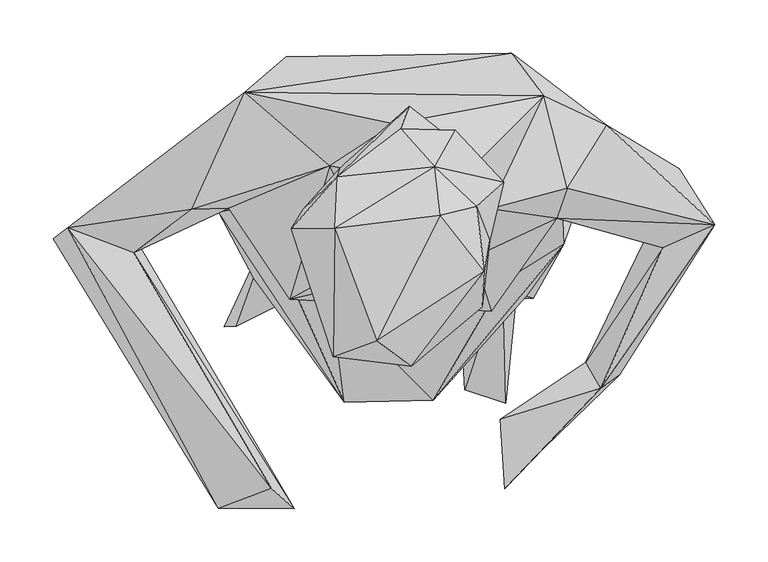
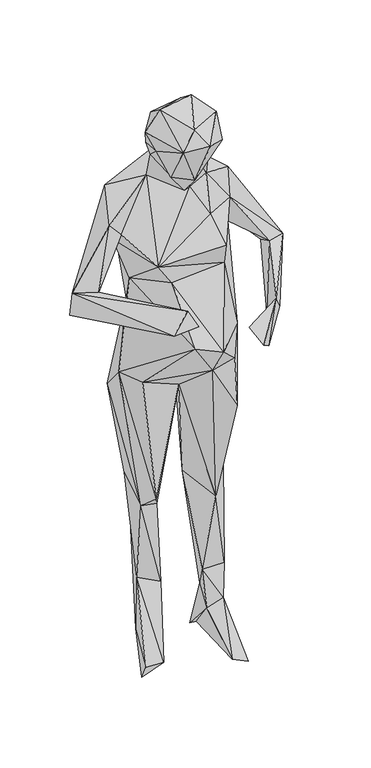
"""IFC4 building model written with IfcOpenShell, lengths in millimetres: geographic element geometry."""

from ifc_helpers import new_model, si_unit, origin, place, context, project, spatial, faceted_brep, source, transform, mapped, element, save


def geographic_element_3dc22eb4(model_context):
    return source(origin(), model_context, "Body", "Brep", [
        faceted_brep([(115.8035532, -20.4848943, 719.365111), (85.5559845, 34.2268306, 418.4032627), (131.6994114, 78.0157586, 481.7709565), (43.9633051, -21.8576786, 852.2205844), (108.7985398, 31.8350415, 210.2251772), (33.2703139, 111.4473478, 469.7112383), (43.9350823, 31.814884, 211.0052977), (-16.3070818, 44.3271617, 789.6733186), (107.7039377, 64.6709419, 118.787995), (87.352096, 1.9110098, 129.2269959), (78.4441297, 103.1229632, 115.3661222), (44.8411996, 9.6256024, 106.0902612), (90.1228476, -119.1901624, 5.1776673), (51.2142548, -106.1638432, 16.591314), (47.9889208, 66.6555382, 29.0793978), (54.8820601, 111.3646911, -4.3572229), (93.7775585, 72.7262115, 30.294947), (105.2063169, 122.5041806, 477.6637197), (54.2853729, 137.722714, 764.0944625), (159.915028, 75.6018003, 742.9967431), (62.3255215, 188.5761297, 811.0663195), (67.9970673, 189.1315109, 890.5547151), (144.3286073, 30.3665079, 930.7886843), (-1.2266344, 86.7533822, 775.8598232), (-171.3004538, 133.6225106, 794.1999337), (-44.3080062, 122.4447176, 435.5570024), (-77.9220229, 197.5869065, 880.0118457), (-71.7626503, 149.794532, 1046.507584), (-123.4193727, 122.3086476, 1045.1559891), (-116.7842657, 206.8879728, 1250.1994217), (61.0061616, 152.329443, 1070.8165036), (-180.1882513, 60.5011985, 876.3531338), (-145.4020274, 68.3730236, 1145.9203817), (95.6301081, 210.3743378, 1287.8238996), (-165.7427827, 115.3540299, 1243.2942237), (-155.6928586, 173.4755316, 1371.2068627), (116.1371753, 94.7078678, 1056.0726989), (142.6060629, 74.9637922, 1215.2721732), (155.3703229, 125.1368656, 1212.0790332), (85.9903906, -5.5909128, 1158.0537414), (21.7820832, -116.4204017, 971.7463731), (109.153329, -18.3602066, 865.8526433), (-74.3106594, -20.8517757, 1161.1722564), (76.2508949, -32.4801091, 1229.0452567), (-113.277717, -21.4293131, 1222.401127), (-61.9042136, -118.2699338, 1011.8353242), (-147.1023839, -1.3727823, 869.7996628), (-170.8337793, 64.477428, 1289.4165357), (-260.4012755, 22.6277241, 1170.8451365), (-280.4971005, 72.4570966, 1114.0208107), (-75.7499626, 104.5491608, 1415.3525654), (-205.9485738, 63.1802372, 1330.11709), (19.2461645, 51.3513305, 1377.6978084), (60.4256012, 18.7623648, 1300.0016052), (75.209721, 63.7456767, 1393.14614), (137.7499236, 54.8135222, 1303.8478929), (33.6331646, 61.0676475, 1463.5038195), (-25.8883346, 0.3709133, 1413.3893077), (67.7410579, -28.5905596, 1552.4111794), (74.986971, 33.8357534, 1531.6450407), (67.2199643, 41.0383264, 1468.7379417), (-15.2487688, -35.3516634, 1462.5927029), (1.1883335, -84.4170366, 1590.6735462), (69.5371619, 4.9589495, 1619.5674934), (62.4958604, 66.1122642, 1612.8145257), (88.0344499, 88.5676358, 1509.4859414), (62.2257396, 106.743394, 1442.1187461), (31.0861595, 135.3238804, 1489.8396546), (42.6066475, 137.5362558, 1531.3052942), (23.2506168, 103.2267722, 1616.8371239), (28.2387972, 57.8675114, 1651.5538488), (-71.0651717, 45.4227621, 1648.1419598), (-8.8616012, 139.2406357, 1561.1830757), (-68.7278128, 93.8813675, 1611.9910279), (-1.0169877, 160.2476368, 1515.6130603), (-65.6909562, 102.5353508, 1475.1492556), (-100.7432702, 63.2326521, 1547.8452253), (-111.8706674, 45.1486142, 1593.3960479), (-15.4261615, 143.8841057, 1469.3103847), (125.5148336, 170.457823, 1369.6375916), (-322.5171526, 45.9801437, 1175.4040573), (-86.1476277, 36.5339513, 1531.4765979), (-78.298985, -22.017935, 1485.4723032), (-72.3200208, -75.3276488, 1588.3917612), (-31.2897596, -60.2885254, 1635.4180372), (185.1240225, 142.6060629, 1315.2342872), (147.9127538, 83.2307179, 1376.4974901), (286.8782246, 48.8486731, 1142.831073), (253.2027332, 101.4195743, 1105.1733357), (237.877366, 27.3911372, 1151.110158), (165.4474864, -80.6020712, 1024.7930162), (179.2982646, -105.2798988, 1075.3521786), (196.9539499, -92.9803017, 1039.5731797), (125.920011, -161.4782939, 982.3536751), (84.9159573, -134.0780838, 1038.0431285), (89.1824652, -199.6934538, 1020.2724808), (113.5014729, -152.8061907, 1017.0088881), (-130.6360646, -199.45055, 1200.867042), (-180.6377895, -218.0546644, 1153.961525), (-336.2671393, 35.504866, 1119.2055802), (-109.3811081, -218.4275958, 1158.1706858), (-88.8841216, 31.5961648, 474.0230979), (-68.2550958, 65.2464695, 431.9395668), (-120.4732269, 52.9791147, 450.383449), (-50.2748744, 76.5583133, 180.7758786), (-119.1135481, 77.3021569, 216.277701), (-141.5306163, 101.1524858, 531.0329133), (-52.6575887, 103.0503871, -4.6293605), (-91.9108975, -10.7151604, 0.9091407), (-59.5981024, 56.3919202, 55.1199273), (-56.3122921, 145.1046896, -4.6948748), (-100.8732828, 112.7344505, 33.3358306), (-163.5959277, -46.5818712, 32.350089), (-175.1849481, -46.9185108, 5.5757942), (-112.9622445, 134.6082522, 538.4662681), (-57.3444024, 156.4991902, 370.6209614)], [[[0, 1, 2]], [[1, 0, 3]], [[1, 4, 2]], [[5, 6, 1]], [[5, 1, 7]], [[1, 3, 7]], [[4, 1, 6]], [[4, 8, 2]], [[4, 6, 9]], [[9, 8, 4]], [[5, 10, 6]], [[6, 10, 11]], [[9, 6, 11]], [[8, 9, 12]], [[13, 9, 11]], [[13, 12, 9]], [[11, 14, 13]], [[11, 10, 15]], [[14, 11, 15]], [[14, 16, 13]], [[13, 16, 12]], [[12, 16, 8]], [[15, 10, 16]], [[8, 16, 10]], [[16, 14, 15]], [[10, 5, 17]], [[8, 10, 17]], [[17, 2, 8]], [[17, 5, 18]], [[19, 17, 18]], [[17, 19, 2]], [[0, 2, 19]], [[19, 20, 21]], [[22, 19, 21]], [[19, 22, 0]], [[19, 18, 20]], [[18, 5, 23]], [[18, 23, 20]], [[7, 23, 5]], [[23, 24, 20]], [[25, 24, 23]], [[7, 25, 23]], [[20, 26, 21]], [[20, 24, 26]], [[21, 26, 27]], [[26, 24, 28]], [[26, 28, 27]], [[27, 29, 30]], [[30, 21, 27]], [[27, 28, 29]], [[24, 31, 28]], [[28, 32, 29]], [[28, 31, 32]], [[33, 30, 29]], [[29, 32, 34]], [[29, 34, 35]], [[29, 35, 33]], [[36, 21, 30]], [[33, 36, 30]], [[22, 21, 36]], [[22, 36, 37]], [[33, 38, 36]], [[38, 37, 36]], [[22, 39, 40]], [[22, 37, 39]], [[22, 40, 41]], [[0, 22, 41]], [[40, 39, 42]], [[43, 39, 37]], [[39, 43, 44]], [[42, 39, 44]], [[40, 3, 41]], [[45, 40, 42]], [[3, 40, 45]], [[0, 41, 3]], [[3, 45, 46]], [[46, 7, 3]], [[45, 32, 31]], [[32, 45, 42]], [[46, 45, 31]], [[42, 44, 32]], [[32, 44, 34]], [[47, 48, 34]], [[35, 34, 49]], [[44, 47, 34]], [[49, 34, 48]], [[44, 50, 47]], [[47, 51, 48]], [[47, 50, 51]], [[52, 44, 53]], [[50, 44, 52]], [[43, 53, 44]], [[52, 53, 54]], [[53, 55, 54]], [[43, 55, 53]], [[54, 56, 52]], [[57, 52, 56]], [[52, 57, 50]], [[56, 58, 57]], [[59, 58, 56]], [[56, 54, 60]], [[60, 59, 56]], [[57, 58, 61]], [[58, 62, 61]], [[58, 63, 62]], [[58, 59, 63]], [[63, 59, 64]], [[59, 60, 65]], [[64, 59, 65]], [[60, 66, 67]], [[60, 67, 65]], [[66, 60, 54]], [[68, 65, 67]], [[64, 65, 69]], [[68, 69, 65]], [[64, 69, 70]], [[64, 70, 63]], [[71, 70, 69]], [[72, 73, 69]], [[71, 69, 73]], [[68, 72, 69]], [[72, 68, 67]], [[72, 74, 73]], [[72, 67, 74]], [[74, 75, 73]], [[75, 76, 73]], [[73, 77, 71]], [[77, 73, 76]], [[78, 75, 74]], [[67, 78, 74]], [[78, 79, 35]], [[79, 78, 66]], [[78, 35, 50]], [[78, 50, 75]], [[78, 67, 66]], [[35, 51, 50]], [[35, 80, 51]], [[80, 35, 49]], [[33, 35, 79]], [[57, 75, 50]], [[75, 57, 81]], [[81, 76, 75]], [[81, 57, 82]], [[61, 82, 57]], [[81, 82, 83]], [[77, 81, 83]], [[76, 81, 77]], [[61, 83, 82]], [[83, 61, 62]], [[77, 83, 71]], [[71, 83, 84]], [[83, 62, 84]], [[84, 62, 63]], [[84, 70, 71]], [[63, 70, 84]], [[38, 33, 85]], [[33, 79, 85]], [[86, 87, 85]], [[87, 88, 85]], [[85, 88, 38]], [[79, 86, 85]], [[88, 89, 38]], [[38, 89, 37]], [[89, 88, 90]], [[87, 90, 88]], [[89, 55, 37]], [[89, 91, 87]], [[55, 89, 87]], [[90, 91, 89]], [[37, 55, 43]], [[86, 54, 55]], [[87, 86, 55]], [[79, 54, 86]], [[66, 54, 79]], [[92, 90, 87]], [[92, 87, 91]], [[92, 93, 90]], [[92, 91, 93]], [[94, 95, 91]], [[94, 91, 90]], [[95, 93, 91]], [[96, 90, 93]], [[95, 96, 93]], [[96, 95, 94]], [[90, 96, 94]], [[48, 80, 97]], [[51, 80, 48]], [[97, 80, 98]], [[99, 80, 49]], [[99, 98, 80]], [[48, 97, 100]], [[98, 100, 97]], [[48, 100, 49]], [[99, 49, 98]], [[98, 49, 100]], [[101, 7, 46]], [[101, 46, 31]], [[101, 102, 7]], [[102, 25, 7]], [[103, 101, 31]], [[102, 101, 103]], [[103, 31, 24]], [[102, 103, 104]], [[104, 103, 105]], [[105, 103, 106]], [[106, 103, 24]], [[104, 25, 102]], [[104, 107, 25]], [[108, 109, 104]], [[108, 104, 105]], [[109, 107, 104]], [[107, 110, 25]], [[111, 110, 107]], [[111, 107, 109]], [[111, 109, 108]], [[108, 105, 112]], [[111, 108, 113]], [[108, 112, 113]], [[111, 105, 114]], [[111, 112, 105]], [[110, 111, 114]], [[111, 113, 112]], [[105, 106, 114]], [[114, 106, 24]], [[115, 110, 114]], [[24, 25, 114]], [[115, 114, 25]], [[115, 25, 110]]]),
    ])


if __name__ == "__main__":
    model = new_model("IFC4")
    model_context = context("Model", 3, world=origin())
    ifc_project = project(units=[si_unit("LENGTHUNIT", "METRE", prefix="MILLI")], contexts=[model_context])
    site = spatial("IfcSite", under=ifc_project)
    building = spatial("IfcBuilding", under=site)
    placement = place(None, origin())
    geographic_element_shape = geographic_element_3dc22eb4(model_context)
    element("IfcGeographicElement", 1, at=placement, inside=building, context=model_context, shape_type="MappedRepresentation", body=[
        mapped(geographic_element_shape, transform((0.0, 0.0, 0.0), x_axis=(1.0, 0.0, 0.0), y_axis=(0.0, 1.0, 0.0), z_axis=(0.0, 0.0, 1.0))),
    ])
    save(model, "model.ifc")
